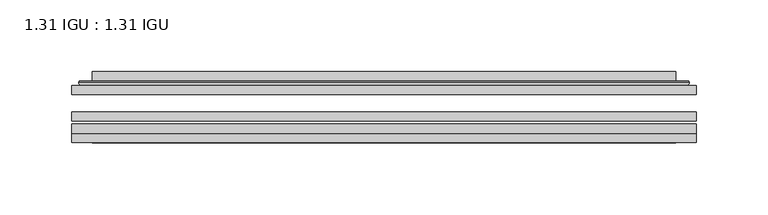
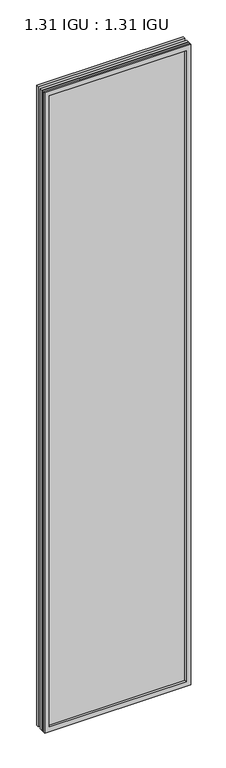
"""IFC4 building model written with IfcOpenShell, lengths in millimetres: plate geometry, 1.31 IGU : 1.31 IGU."""

from ifc_helpers import new_model, si_unit, frame, origin, place, context, project, spatial, polyline, ellipse_curve, outline, extrude, faceted_brep, source, transform, mapped, element, save
from ifc_brep_helpers import plane_surface, cylinder_surface, advanced_brep


def plate_1_31_igu_1_31_igu_7eb12ac3(model_context):
    return source(origin(), model_context, "Body", "SolidModel", [
        extrude(outline(polyline([(217.501675, -63.59525), (217.501675, -69.94525), (-217.4875, -69.94525), (-217.4875, -63.59525), (217.501675, -63.59525)])), frame((0.0, 0.0, -14.2875), z_axis=(0.0, 0.0, 1.0), x_axis=(1.0, 0.0, 0.0)), (0.0, 0.0, 1.0), 2009.8015278),
        extrude(outline(polyline([(-217.4875, -78.58125), (-217.4875, -72.230745), (217.501675, -72.230745), (217.501675, -78.58125), (-217.4875, -78.58125)])), frame((0.0, 0.0, -14.2875), z_axis=(0.0, 0.0, 1.0), x_axis=(1.0, 0.0, 0.0)), (0.0, 0.0, 1.0), 2009.8015278),
        extrude(outline(polyline([(217.501675, -45.25645), (217.501675, -51.60645), (-217.4875, -51.60645), (-217.4875, -45.25645), (217.501675, -45.25645)])), frame((0.0, 0.0, -14.2875), z_axis=(0.0, 0.0, 1.0), x_axis=(1.0, 0.0, 0.0)), (0.0, 0.0, 1.0), 2009.8015278),
        faceted_brep([(-217.5002, -84.93125, 1995.5229299), (-217.5002, -78.58125, 1995.5229299), (-217.5002, -78.58125, -14.3002), (-217.5002, -84.93125, -14.3002), (217.5002, -78.58125, -14.3002), (217.5002, -84.93125, -14.3002), (217.5002, -78.58125, 1995.5229299), (217.5002, -84.93125, 1995.5229299), (-202.3022559, -78.58125, 0.8977441), (202.3022559, -78.58125, 0.8977441), (202.3022559, -78.58125, 1980.3249858), (-202.3022559, -78.58125, 1980.3249858), (-203.1946902, -84.93125, 1981.2174201), (203.1946902, -84.93125, 1981.2174201), (203.1946902, -84.93125, 0.0053098), (-203.1946902, -84.93125, 0.0053098)], [[[0, 1, 2, 3]], [[3, 2, 4, 5]], [[5, 4, 6, 7]], [[1, 6, 4, 2], [8, 9, 10, 11]], [[7, 6, 1, 0]], [[3, 5, 7, 0], [12, 13, 14, 15]], [[11, 12, 15, 8]], [[8, 15, 14, 9]], [[9, 14, 13, 10]], [[10, 13, 12, 11]]]),
        advanced_brep(
        [(-210.246219, -45.25645, 1988.2689489), (-212.6004244, -43.2667833, 1990.6231543), (-212.6004244, -43.2667833, -9.4004244), (-210.246219, -45.25645, -7.046219), (-201.1718939, -41.416413, 1979.1946238), (-196.2370621, -45.25645, 1974.2597919), (-196.2370621, -45.25645, 6.9629379), (-201.1718939, -41.416413, 2.0281061), (-202.2039217, -36.0191819, 1980.2266515), (-202.2039217, -36.0191819, 0.9960783), (-203.1945784, -35.6202069, 1981.2173083), (-203.1945784, -35.6202069, 0.0054216), (-203.1945784, -42.08145, 1981.2173083), (-203.1945784, -42.08145, 0.0054216), (-211.5986349, -42.08145, 1989.6213648), (-211.5986349, -42.08145, -8.3986349), (212.6004244, -43.2667833, -9.4004244), (210.246219, -45.25645, -7.046219), (196.2370621, -45.25645, 6.9629379), (201.1718939, -41.416413, 2.0281061), (202.2039217, -36.0191819, 0.9960783), (203.1945784, -35.6202069, 0.0054216), (203.1945784, -42.08145, 0.0054216), (211.5986349, -42.08145, -8.3986349), (212.6004244, -43.2667833, 1990.6231543), (210.246219, -45.25645, 1988.2689489), (196.2370621, -45.25645, 1974.2597919), (201.1718939, -41.416413, 1979.1946238), (202.2039217, -36.0191819, 1980.2266515), (203.1945784, -35.6202069, 1981.2173083), (203.1945784, -42.08145, 1981.2173083), (211.5986349, -42.08145, 1989.6213648)],
        [
            (0, 1, ellipse_curve(frame((-210.246219, -42.86885, 1988.2689489), z_axis=(-0.7071067811865475, 0.0, -0.7071067811865475), x_axis=(-0.7071067811865474, 0.0, 0.7071067811865476)), 3.3765763, 2.3876)),
            (1, 2),
            (2, 3, ellipse_curve(frame((-210.246219, -42.86885, -7.046219), z_axis=(-0.7071067811865475, 0.0, 0.7071067811865475), x_axis=(0.7071067811865474, 0.0, 0.7071067811865476)), 3.3765763, 2.3876)),
            (3, 0),
            (4, 5),
            (5, 6),
            (6, 7),
            (7, 4),
            (8, 4),
            (7, 9),
            (9, 8),
            (10, 8, ellipse_curve(frame((-202.8276219, -36.1384423, 1980.8503517), z_axis=(-0.7071067811865475, 0.0, -0.7071067811865475), x_axis=(-0.7071067811865474, 0.0, 0.7071067811865476)), 0.8980256, 0.635)),
            (9, 11, ellipse_curve(frame((-202.8276219, -36.1384423, 0.3723781), z_axis=(-0.7071067811865475, 0.0, 0.7071067811865475), x_axis=(0.7071067811865474, 0.0, 0.7071067811865476)), 0.8980256, 0.635)),
            (11, 10),
            (12, 10),
            (11, 13),
            (13, 12),
            (1, 14, ellipse_curve(frame((-211.5986349, -43.09745, 1989.6213648), z_axis=(-0.7071067811865475, 0.0, -0.7071067811865475), x_axis=(-0.7071067811865474, 0.0, 0.7071067811865476)), 1.436841, 1.016)),
            (14, 15),
            (15, 2, ellipse_curve(frame((-211.5986349, -43.09745, -8.3986349), z_axis=(-0.7071067811865475, 0.0, 0.7071067811865475), x_axis=(0.7071067811865474, 0.0, 0.7071067811865476)), 1.436841, 1.016)),
            (2, 16),
            (16, 17, ellipse_curve(frame((210.246219, -42.86885, -7.046219), z_axis=(-0.7071067811865475, 0.0, -0.7071067811865475), x_axis=(-0.7071067811865476, 0.0, 0.7071067811865474)), 3.3765763, 2.3876)),
            (17, 3),
            (6, 18),
            (18, 19),
            (19, 7),
            (19, 20),
            (20, 9),
            (20, 21, ellipse_curve(frame((202.8276219, -36.1384423, 0.3723781), z_axis=(-0.7071067811865475, 0.0, -0.7071067811865475), x_axis=(-0.7071067811865476, 0.0, 0.7071067811865474)), 0.8980256, 0.635)),
            (21, 11),
            (21, 22),
            (22, 13),
            (15, 23),
            (23, 16, ellipse_curve(frame((211.5986349, -43.09745, -8.3986349), z_axis=(-0.7071067811865475, 0.0, -0.7071067811865475), x_axis=(-0.7071067811865476, 0.0, 0.7071067811865474)), 1.436841, 1.016)),
            (16, 24),
            (24, 25, ellipse_curve(frame((210.246219, -42.86885, 1988.2689489), z_axis=(0.7071067811865475, 0.0, -0.7071067811865475), x_axis=(-0.7071067811865474, 0.0, -0.7071067811865476)), 3.3765763, 2.3876)),
            (25, 17),
            (18, 26),
            (26, 27),
            (27, 19),
            (27, 28),
            (28, 20),
            (28, 29, ellipse_curve(frame((202.8276219, -36.1384423, 1980.8503517), z_axis=(0.7071067811865475, 0.0, -0.7071067811865475), x_axis=(-0.7071067811865474, 0.0, -0.7071067811865476)), 0.8980256, 0.635)),
            (29, 21),
            (29, 30),
            (30, 22),
            (23, 31),
            (31, 24, ellipse_curve(frame((211.5986349, -43.09745, 1989.6213648), z_axis=(0.7071067811865475, 0.0, -0.7071067811865475), x_axis=(-0.7071067811865474, 0.0, -0.7071067811865476)), 1.436841, 1.016)),
            (24, 1),
            (0, 25),
            (5, 26),
            (4, 27),
            (8, 28),
            (10, 29),
            (12, 30),
            (14, 31),
        ],
        [
            cylinder_surface(frame((-210.246219, -42.86885, 2012.9727299), z_axis=(0.0, 0.0, 1.0), x_axis=(-1.0, 0.0, 0.0)), 2.3876),
            plane_surface(frame((-196.2370621, -45.25645, 1974.2597919), z_axis=(0.6141233906514794, 0.7892100234124821, 0.0), x_axis=(0.0, 0.0, -1.0))),
            plane_surface(frame((-201.1718939, -41.416413, 1979.1946238), z_axis=(0.9822050625507729, 0.18781164793386074, 0.0), x_axis=(0.0, 0.0, -1.0))),
            cylinder_surface(frame((-202.8276219, -36.1384423, 2012.9727299), z_axis=(0.0, 0.0, 1.0), x_axis=(-1.0, 0.0, 0.0)), 0.635),
            plane_surface(frame((-203.1945784, -35.6202069, 1981.2173083), z_axis=(-1.0, 0.0, 0.0), x_axis=(0.0, 0.0, -1.0))),
            cylinder_surface(frame((-211.5986349, -43.09745, 2012.9727299), z_axis=(0.0, 0.0, 1.0), x_axis=(-1.0, 0.0, 0.0)), 1.016),
            cylinder_surface(frame((-234.95, -42.86885, -7.046219), z_axis=(-1.0, 0.0, 0.0), x_axis=(0.0, 0.0, -1.0)), 2.3876),
            plane_surface(frame((-196.2370621, -45.25645, 6.9629379), z_axis=(0.0, 0.7892100234124841, 0.6141233906514768), x_axis=(1.0, 0.0, 0.0))),
            plane_surface(frame((-201.1718939, -41.416413, 2.0281061), z_axis=(0.0, 0.18781164793386393, 0.9822050625507723), x_axis=(1.0, 0.0, 0.0))),
            cylinder_surface(frame((-234.95, -36.1384423, 0.3723781), z_axis=(-1.0, 0.0, 0.0), x_axis=(0.0, 0.0, -1.0)), 0.635),
            plane_surface(frame((-203.1945784, -35.6202069, 0.0054216), z_axis=(0.0, 0.0, -1.0), x_axis=(1.0, 0.0, 0.0))),
            cylinder_surface(frame((-234.95, -43.09745, -8.3986349), z_axis=(-1.0, 0.0, 0.0), x_axis=(0.0, 0.0, -1.0)), 1.016),
            cylinder_surface(frame((210.246219, -42.86885, -31.75), z_axis=(0.0, 0.0, -1.0), x_axis=(1.0, 0.0, 0.0)), 2.3876),
            plane_surface(frame((196.2370621, -45.25645, 6.9629379), z_axis=(-0.6141233906514743, 0.7892100234124861, 0.0), x_axis=(0.0, 0.0, 1.0))),
            plane_surface(frame((201.1718939, -41.416413, 2.0281061), z_axis=(-0.9822050625507718, 0.18781164793386712, 0.0), x_axis=(0.0, 0.0, 1.0))),
            cylinder_surface(frame((202.8276219, -36.1384423, -31.75), z_axis=(0.0, 0.0, -1.0), x_axis=(1.0, 0.0, 0.0)), 0.635),
            plane_surface(frame((203.1945784, -35.6202069, 0.0054216), z_axis=(1.0, 0.0, 0.0), x_axis=(0.0, 0.0, 1.0))),
            cylinder_surface(frame((211.5986349, -43.09745, -31.75), z_axis=(0.0, 0.0, -1.0), x_axis=(1.0, 0.0, 0.0)), 1.016),
            cylinder_surface(frame((234.95, -42.86885, 1988.2689489), z_axis=(1.0, 0.0, 0.0), x_axis=(0.0, 0.0, 1.0)), 2.3876),
            plane_surface(frame((210.246219, -45.25645, 1988.2689489), z_axis=(0.0, -1.0, 0.0), x_axis=(-1.0, 0.0, 0.0))),
            plane_surface(frame((196.2370621, -45.25645, 1974.2597919), z_axis=(0.0, 0.7892100234124841, -0.6141233906514768), x_axis=(-1.0, 0.0, 0.0))),
            plane_surface(frame((201.1718939, -41.416413, 1979.1946238), z_axis=(0.0, 0.18781164793386393, -0.9822050625507723), x_axis=(-1.0, 0.0, 0.0))),
            cylinder_surface(frame((234.95, -36.1384423, 1980.8503517), z_axis=(1.0, 0.0, 0.0), x_axis=(0.0, 0.0, 1.0)), 0.635),
            plane_surface(frame((203.1945784, -35.6202069, 1981.2173083), z_axis=(0.0, 0.0, 1.0), x_axis=(-1.0, 0.0, 0.0))),
            plane_surface(frame((203.1945784, -42.08145, 1981.2173083), z_axis=(0.0, 1.0, 0.0), x_axis=(-1.0, 0.0, 0.0))),
            cylinder_surface(frame((234.95, -43.09745, 1989.6213648), z_axis=(1.0, 0.0, 0.0), x_axis=(0.0, 0.0, 1.0)), 1.016),
        ],
        [
            (0, [[1, 2, 3, 4]]),
            (1, [[5, 6, 7, 8]]),
            (2, [[9, -8, 10, 11]]),
            (3, [[12, -11, 13, 14]]),
            (4, [[15, -14, 16, 17]]),
            (5, [[18, 19, 20, -2]]),
            (6, [[-3, 21, 22, 23]]),
            (7, [[-7, 24, 25, 26]]),
            (8, [[-10, -26, 27, 28]]),
            (9, [[-13, -28, 29, 30]]),
            (10, [[-16, -30, 31, 32]]),
            (11, [[-20, 33, 34, -21]]),
            (12, [[-22, 35, 36, 37]]),
            (13, [[-25, 38, 39, 40]]),
            (14, [[-27, -40, 41, 42]]),
            (15, [[-29, -42, 43, 44]]),
            (16, [[-31, -44, 45, 46]]),
            (17, [[-34, 47, 48, -35]]),
            (18, [[-36, 49, -1, 50]]),
            (19, [[-23, -37, -50, -4], [51, -38, -24, -6]]),
            (20, [[-39, -51, -5, 52]]),
            (21, [[-41, -52, -9, 53]]),
            (22, [[-43, -53, -12, 54]]),
            (23, [[-45, -54, -15, 55]]),
            (24, [[56, -47, -33, -19], [-32, -46, -55, -17]]),
            (25, [[-48, -56, -18, -49]]),
        ],
    ),
    ])


if __name__ == "__main__":
    model = new_model("IFC4")
    model_context = context("Model", 3, world=origin())
    ifc_project = project(units=[si_unit("LENGTHUNIT", "METRE", prefix="MILLI")], contexts=[model_context])
    site = spatial("IfcSite", under=ifc_project)
    building = spatial("IfcBuilding", under=site)
    placement = place(None, origin())
    plate_1_31_igu_1_31_igu_shape = plate_1_31_igu_1_31_igu_7eb12ac3(model_context)
    element("IfcPlate", 1, ObjectType="1.31 IGU : 1.31 IGU", at=placement, inside=building, context=model_context, shape_type="MappedRepresentation", body=[
        mapped(plate_1_31_igu_1_31_igu_shape, transform((0.0, 0.0, 0.0), x_axis=(1.0, 0.0, 0.0), y_axis=(0.0, 1.0, 0.0), z_axis=(0.0, 0.0, 1.0))),
    ])
    save(model, "model.ifc")
